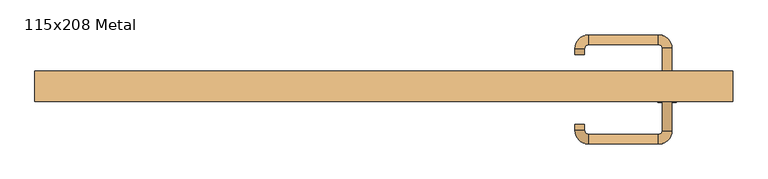
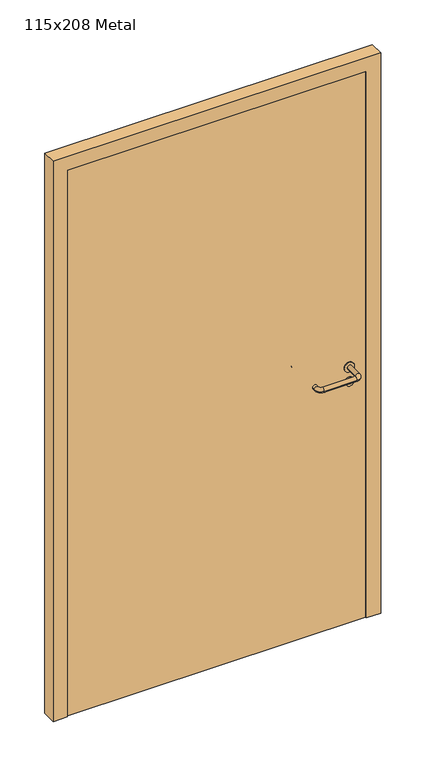
"""IFC4 building model written with IfcOpenShell, lengths in millimetres: door geometry, 115x208 Metal."""

from ifc_helpers import new_model, si_unit, point, frame, frame_2d, origin, origin_with_axes, place, context, project, spatial, polyline, circle_curve, ellipse_curve, trimmed, segment, composite_curve, outline, extrude, source, transform, mapped, element, save
from ifc_brep_helpers import plane_surface, cylinder_surface, revolved_surface, advanced_brep


def door_115x208_metal_eda9dd8c(model_context):
    return source(origin(), model_context, "Body", "SolidModel", [
        extrude(outline(composite_curve([segment(trimmed(circle_curve(frame_2d((897.3605726, 467.0)), 15.0), [point((897.3605726, 482.0))], [point((897.3605726, 452.0))], False, "CARTESIAN"), True, "CONTINUOUS"), segment(trimmed(circle_curve(frame_2d((897.3605726, 467.0)), 15.0), [point((897.3605726, 452.0))], [point((897.3605726, 482.0))], False, "CARTESIAN"), True, "CONTINUOUS")], self_intersect=False), holes=[composite_curve([segment(trimmed(circle_curve(frame_2d((892.5833211, 466.9398032)), 2.0), [point((892.5833211, 468.9398032))], [point((892.5833211, 464.9398032))], True, "CARTESIAN"), True, "CONTINUOUS"), segment(polyline([(892.5833211, 464.9398032), (902.5833211, 464.9398032)]), True, "CONTINUOUS"), segment(trimmed(circle_curve(frame_2d((902.5833211, 466.9398032)), 2.0), [point((902.5833211, 464.9398032))], [point((902.5833211, 468.9398032))], True, "CARTESIAN"), True, "CONTINUOUS"), segment(polyline([(902.5833211, 468.9398032), (892.5833211, 468.9398032)]), True, "CONTINUOUS")], self_intersect=False)]), frame((0.0, -15.0, 0.0), z_axis=(0.0, 1.0, 0.0), x_axis=(0.0, 0.0, 1.0)), (0.0, 0.0, 1.0), 6.35),
        extrude(outline(composite_curve([segment(trimmed(circle_curve(frame_2d((950.0, 467.0)), 17.526), [point((950.0, 484.526))], [point((950.0, 449.474))], False, "CARTESIAN"), True, "CONTINUOUS"), segment(trimmed(circle_curve(frame_2d((950.0, 467.0)), 17.526), [point((950.0, 449.474))], [point((950.0, 484.526))], False, "CARTESIAN"), True, "CONTINUOUS")], self_intersect=False)), frame((0.0, -15.0, 0.0), z_axis=(0.0, 1.0, 0.0), x_axis=(0.0, 0.0, 1.0)), (0.0, 0.0, 1.0), 3.175),
        advanced_brep(
        [(475.0, -15.0, 950.0), (459.0, -15.0, 950.0), (475.0, 38.0, 950.0), (459.0, 38.0, 950.0), (452.8578644, 44.1421356, 950.0), (452.8578644, 60.1421356, 950.0), (337.8578644, 60.1421356, 950.0), (337.8578644, 44.1421356, 950.0), (331.008622, 37.2928932, 950.0), (315.008622, 37.2928932, 950.0), (315.008622, 27.2928932, 950.0), (331.008622, 27.2928932, 950.0)],
        [
            (0, 1, circle_curve(frame((467.0, -15.0, 950.0), z_axis=(0.0, -1.0, 0.0), x_axis=(-1.0, 0.0, 0.0)), 8.0)),
            (1, 0, circle_curve(frame((467.0, -15.0, 950.0), z_axis=(0.0, -1.0, 0.0), x_axis=(-1.0, 0.0, 0.0)), 8.0)),
            (0, 2),
            (2, 3, circle_curve(frame((467.0, 38.0, 950.0), z_axis=(0.0, -1.0, 0.0), x_axis=(-1.0, 0.0, 0.0)), 8.0)),
            (3, 1),
            (3, 2, circle_curve(frame((467.0, 38.0, 950.0), z_axis=(0.0, -1.0, 0.0), x_axis=(-1.0, 0.0, 0.0)), 8.0)),
            (4, 3, circle_curve(frame((452.8578644, 38.0, 950.0), z_axis=(0.0, 0.0, -1.0), x_axis=(1.0, 0.0, 0.0)), 6.1421356)),
            (2, 5, circle_curve(frame((452.8578644, 38.0, 950.0), z_axis=(0.0, 0.0, 1.0), x_axis=(1.0, 0.0, 0.0)), 22.1421356)),
            (5, 4, circle_curve(frame((452.8578644, 52.1421356, 950.0), z_axis=(1.0, 0.0, 0.0), x_axis=(0.0, -1.0, 0.0)), 8.0)),
            (4, 5, circle_curve(frame((452.8578644, 52.1421356, 950.0), z_axis=(1.0, 0.0, 0.0), x_axis=(0.0, -1.0, 0.0)), 8.0)),
            (5, 6),
            (6, 7, circle_curve(frame((337.8578644, 52.1421356, 950.0), z_axis=(1.0, 0.0, 0.0), x_axis=(0.0, -1.0, 0.0)), 8.0)),
            (7, 4),
            (7, 6, circle_curve(frame((337.8578644, 52.1421356, 950.0), z_axis=(1.0, 0.0, 0.0), x_axis=(0.0, -1.0, 0.0)), 8.0)),
            (8, 7, circle_curve(frame((337.8578644, 37.2928932, 950.0), z_axis=(0.0, 0.0, -1.0), x_axis=(0.0, 1.0, 0.0)), 6.8492424)),
            (6, 9, circle_curve(frame((337.8578644, 37.2928932, 950.0), z_axis=(0.0, 0.0, 1.0), x_axis=(0.0, 1.0, 0.0)), 22.8492424)),
            (9, 8, circle_curve(frame((323.008622, 37.2928932, 950.0), z_axis=(0.0, 1.0, 0.0), x_axis=(1.0, 0.0, 0.0)), 8.0)),
            (8, 9, circle_curve(frame((323.008622, 37.2928932, 950.0), z_axis=(0.0, 1.0, 0.0), x_axis=(1.0, 0.0, 0.0)), 8.0)),
            (10, 11, circle_curve(frame((323.008622, 27.2928932, 950.0), z_axis=(0.0, -1.0, 0.0), x_axis=(1.0, 0.0, 0.0)), 8.0)),
            (11, 10, circle_curve(frame((323.008622, 27.2928932, 950.0), z_axis=(0.0, -1.0, 0.0), x_axis=(1.0, 0.0, 0.0)), 8.0)),
            (9, 10),
            (11, 8),
        ],
        [
            plane_surface(frame((467.0, -15.0, 170.0), z_axis=(0.0, -1.0, 0.0), x_axis=(0.0, 0.0, 1.0))),
            cylinder_surface(frame((467.0, -15.0, 950.0), z_axis=(0.0, -1.0, 0.0), x_axis=(-1.0, 0.0, 0.0)), 8.0),
            revolved_surface(trimmed(ellipse_curve(frame((467.0, 38.0, 950.0), z_axis=(0.0, -1.0, 0.0), x_axis=(-1.0, 0.0, 0.0)), 8.0, 8.0), [point((475.0, 38.0, 950.0))], [point((459.0, 38.0, 950.0))], True, "CARTESIAN"), (452.8578644, 38.0, 170.0), (0.0, 0.0, 1.0)),
            revolved_surface(trimmed(ellipse_curve(frame((467.0, 38.0, 950.0), z_axis=(0.0, -1.0, 0.0), x_axis=(-1.0, 0.0, 0.0)), 8.0, 8.0), [point((459.0, 38.0, 950.0))], [point((475.0, 38.0, 950.0))], True, "CARTESIAN"), (452.8578644, 38.0, 170.0), (0.0, 0.0, 1.0)),
            cylinder_surface(frame((452.8578644, 52.1421356, 950.0), z_axis=(1.0, 0.0, 0.0), x_axis=(0.0, -1.0, 0.0)), 8.0),
            revolved_surface(trimmed(ellipse_curve(frame((337.8578644, 52.1421356, 950.0), z_axis=(1.0, 0.0, 0.0), x_axis=(0.0, -1.0, 0.0)), 8.0, 8.0), [point((337.8578644, 60.1421356, 950.0))], [point((337.8578644, 44.1421356, 950.0))], True, "CARTESIAN"), (337.8578644, 37.2928932, 170.0), (0.0, 0.0, 1.0)),
            revolved_surface(trimmed(ellipse_curve(frame((337.8578644, 52.1421356, 950.0), z_axis=(1.0, 0.0, 0.0), x_axis=(0.0, -1.0, 0.0)), 8.0, 8.0), [point((337.8578644, 44.1421356, 950.0))], [point((337.8578644, 60.1421356, 950.0))], True, "CARTESIAN"), (337.8578644, 37.2928932, 170.0), (0.0, 0.0, 1.0)),
            plane_surface(frame((323.008622, 27.2928932, 170.0), z_axis=(0.0, -1.0, 0.0), x_axis=(0.0, 0.0, 1.0))),
            cylinder_surface(frame((323.008622, 37.2928932, 950.0), z_axis=(0.0, 1.0, 0.0), x_axis=(1.0, 0.0, 0.0)), 8.0),
        ],
        [
            (0, [[1, 2]]),
            (1, [[-1, 3, 4, 5]]),
            (1, [[-2, -5, 6, -3]]),
            (2, [[7, -4, 8, 9]]),
            (3, [[-8, -6, -7, 10]]),
            (4, [[-9, 11, 12, 13]]),
            (4, [[-10, -13, 14, -11]]),
            (5, [[15, -12, 16, 17]]),
            (6, [[-16, -14, -15, 18]]),
            (7, [[19, 20]]),
            (8, [[-17, 21, -20, 22]]),
            (8, [[-18, -22, -19, -21]]),
        ],
    ),
        extrude(outline(composite_curve([segment(trimmed(circle_curve(frame_2d((0.0, 15.0)), 15.0), [point((0.0, 30.0))], [point((0.0, 0.0))], False, "CARTESIAN"), True, "CONTINUOUS"), segment(trimmed(circle_curve(frame_2d((0.0, 15.0)), 15.0), [point((0.0, 0.0))], [point((0.0, 30.0))], False, "CARTESIAN"), True, "CONTINUOUS")], self_intersect=False), holes=[composite_curve([segment(trimmed(circle_curve(frame_2d((-4.7772515, 14.9398032)), 2.0), [point((-4.7772515, 16.9398032))], [point((-4.7772515, 12.9398032))], True, "CARTESIAN"), True, "CONTINUOUS"), segment(polyline([(-4.7772515, 12.9398032), (5.2227485, 12.9398032)]), True, "CONTINUOUS"), segment(trimmed(circle_curve(frame_2d((5.2227485, 14.9398032)), 2.0), [point((5.2227485, 12.9398032))], [point((5.2227485, 16.9398032))], True, "CARTESIAN"), True, "CONTINUOUS"), segment(polyline([(5.2227485, 16.9398032), (-4.7772515, 16.9398032)]), True, "CONTINUOUS")], self_intersect=False)]), frame((452.0, -51.35, 897.3605726), z_axis=(-1.8870575173328306e-12, 1.0, 0.0), x_axis=(0.0, 0.0, 1.0)), (0.0, 0.0, 1.0), 6.35),
        extrude(outline(composite_curve([segment(trimmed(circle_curve(frame_2d((0.0, 17.526)), 17.526), [point((0.0, 35.052))], [point((0.0, 0.0))], False, "CARTESIAN"), True, "CONTINUOUS"), segment(trimmed(circle_curve(frame_2d((0.0, 17.526)), 17.526), [point((0.0, 0.0))], [point((0.0, 35.052))], False, "CARTESIAN"), True, "CONTINUOUS")], self_intersect=False)), frame((449.474, -48.175, 950.0), z_axis=(-1.8870575173328306e-12, 1.0, 0.0), x_axis=(0.0, 0.0, 1.0)), (0.0, 0.0, 1.0), 3.175),
        advanced_brep(
        [(475.0, -45.0, 950.0), (459.0, -45.0, 950.0), (459.0, -98.0, 950.0), (475.0, -98.0, 950.0), (452.8578644, -104.1421356, 950.0), (452.8578644, -120.1421356, 950.0), (337.8578644, -104.1421356, 950.0), (337.8578644, -120.1421356, 950.0), (331.008622, -97.2928932, 950.0), (315.008622, -97.2928932, 950.0), (315.008622, -87.2928932, 950.0), (331.008622, -87.2928932, 950.0)],
        [
            (0, 1, circle_curve(frame((467.0, -45.0, 950.0), z_axis=(-1.888672253512351e-12, 1.0, 0.0), x_axis=(-1.0, -1.888672253512351e-12, 0.0)), 8.0)),
            (1, 0, circle_curve(frame((467.0, -45.0, 950.0), z_axis=(-1.888672253512351e-12, 1.0, 0.0), x_axis=(-1.0, -1.888672253512351e-12, 0.0)), 8.0)),
            (1, 2),
            (2, 3, circle_curve(frame((467.0, -98.0, 950.0), z_axis=(-1.888672253512351e-12, 1.0, 0.0), x_axis=(-1.0, -1.888672253512351e-12, 0.0)), 8.0)),
            (3, 0),
            (3, 2, circle_curve(frame((467.0, -98.0, 950.0), z_axis=(-1.888672253512351e-12, 1.0, 0.0), x_axis=(-1.0, -1.888672253512351e-12, 0.0)), 8.0)),
            (4, 5, circle_curve(frame((452.8578644, -112.1421356, 950.0), z_axis=(1.0, 1.913702061528922e-12, 0.0), x_axis=(-1.913702061528922e-12, 1.0, 0.0)), 8.0)),
            (5, 3, circle_curve(frame((452.8578644, -98.0, 950.0), z_axis=(0.0, 0.0, 1.0), x_axis=(1.0, 1.880717803715015e-12, 0.0)), 22.1421356)),
            (2, 4, circle_curve(frame((452.8578644, -98.0, 950.0), z_axis=(0.0, 0.0, -1.0), x_axis=(1.0, 1.880717803715015e-12, 0.0)), 6.1421356)),
            (5, 4, circle_curve(frame((452.8578644, -112.1421356, 950.0), z_axis=(1.0, 1.913702061528922e-12, 0.0), x_axis=(-1.913702061528922e-12, 1.0, 0.0)), 8.0)),
            (4, 6),
            (6, 7, circle_curve(frame((337.8578644, -112.1421356, 950.0), z_axis=(1.0, 1.913719828541269e-12, 0.0), x_axis=(-1.913719828541269e-12, 1.0, 0.0)), 8.0)),
            (7, 5),
            (7, 6, circle_curve(frame((337.8578644, -112.1421356, 950.0), z_axis=(1.0, 1.913719828541269e-12, 0.0), x_axis=(-1.913719828541269e-12, 1.0, 0.0)), 8.0)),
            (8, 9, circle_curve(frame((323.008622, -97.2928932, 950.0), z_axis=(1.890226565746826e-12, -1.0, 0.0), x_axis=(1.0, 1.890226565746826e-12, 0.0)), 8.0)),
            (9, 7, circle_curve(frame((337.8578644, -97.2928932, 950.0), z_axis=(0.0, 0.0, 1.0), x_axis=(1.9120873253494017e-12, -1.0, 0.0)), 22.8492424)),
            (6, 8, circle_curve(frame((337.8578644, -97.2928932, 950.0), z_axis=(0.0, 0.0, -1.0), x_axis=(1.9120873253494017e-12, -1.0, 0.0)), 6.8492424)),
            (9, 8, circle_curve(frame((323.008622, -97.2928932, 950.0), z_axis=(1.890670654956676e-12, -1.0, 0.0), x_axis=(1.0, 1.890670654956676e-12, 0.0)), 8.0)),
            (10, 11, circle_curve(frame((323.008622, -87.2928932, 950.0), z_axis=(-1.8903642334018795e-12, 1.0, 0.0), x_axis=(1.0, 1.8903642334018795e-12, 0.0)), 8.0)),
            (11, 10, circle_curve(frame((323.008622, -87.2928932, 950.0), z_axis=(-1.8903642334018795e-12, 1.0, 0.0), x_axis=(1.0, 1.8903642334018795e-12, 0.0)), 8.0)),
            (8, 11),
            (10, 9),
        ],
        [
            plane_surface(frame((467.0, -45.0, 170.0), z_axis=(-1.8870575173328306e-12, 1.0, 0.0), x_axis=(0.0, 0.0, 1.0))),
            cylinder_surface(frame((467.0, -45.0, 950.0), z_axis=(-1.888672253512351e-12, 1.0, 0.0), x_axis=(-1.0, -1.888672253512351e-12, 0.0)), 8.0),
            revolved_surface(trimmed(ellipse_curve(frame((467.0, -98.0, 950.0), z_axis=(1.8823325398945356e-12, -1.0, 0.0), x_axis=(-1.0, -1.8823325398945356e-12, 0.0)), 8.0, 8.0), [point((475.0, -98.0, 950.0))], [point((459.0, -98.0, 950.0))], True, "CARTESIAN"), (452.8578644, -98.0, 170.0), (0.0, 0.0, 1.0)),
            revolved_surface(trimmed(ellipse_curve(frame((467.0, -98.0, 950.0), z_axis=(1.8823325398945356e-12, -1.0, 0.0), x_axis=(-1.0, -1.8823325398945356e-12, 0.0)), 8.0, 8.0), [point((459.0, -98.0, 950.0))], [point((475.0, -98.0, 950.0))], True, "CARTESIAN"), (452.8578644, -98.0, 170.0), (0.0, 0.0, 1.0)),
            cylinder_surface(frame((452.8578644, -112.1421356, 950.0), z_axis=(1.0, 1.913719828541269e-12, 0.0), x_axis=(-1.913719828541269e-12, 1.0, 0.0)), 8.0),
            revolved_surface(trimmed(ellipse_curve(frame((337.8578644, -112.1421356, 950.0), z_axis=(-1.0, -1.913702061528922e-12, 0.0), x_axis=(-1.913702061528922e-12, 1.0, 0.0)), 8.0, 8.0), [point((337.8578644, -120.1421356, 950.0))], [point((337.8578644, -104.1421356, 950.0))], True, "CARTESIAN"), (337.8578644, -97.2928932, 170.0), (0.0, 0.0, 1.0)),
            revolved_surface(trimmed(ellipse_curve(frame((337.8578644, -112.1421356, 950.0), z_axis=(-1.0, -1.913702061528922e-12, 0.0), x_axis=(-1.913702061528922e-12, 1.0, 0.0)), 8.0, 8.0), [point((337.8578644, -104.1421356, 950.0))], [point((337.8578644, -120.1421356, 950.0))], True, "CARTESIAN"), (337.8578644, -97.2928932, 170.0), (0.0, 0.0, 1.0)),
            plane_surface(frame((323.008622, -87.2928932, 170.0), z_axis=(-1.8887494972223595e-12, 1.0, 0.0), x_axis=(0.0, 0.0, 1.0))),
            cylinder_surface(frame((323.008622, -97.2928932, 950.0), z_axis=(1.8903642334018795e-12, -1.0, 0.0), x_axis=(1.0, 1.8903642334018795e-12, 0.0)), 8.0),
        ],
        [
            (0, [[1, 2]]),
            (1, [[3, 4, 5, -2]]),
            (1, [[-5, 6, -3, -1]]),
            (2, [[7, 8, -4, 9]]),
            (3, [[10, -9, -6, -8]]),
            (4, [[11, 12, 13, -7]]),
            (4, [[-13, 14, -11, -10]]),
            (5, [[15, 16, -12, 17]]),
            (6, [[18, -17, -14, -16]]),
            (7, [[19, 20]]),
            (8, [[21, -19, 22, -15]]),
            (8, [[-22, -20, -21, -18]]),
        ],
    ),
        extrude(outline(polyline([(2030.0, 525.0), (0.0, 525.0), (0.0, 575.0), (2080.0, 575.0), (2080.0, -575.0), (0.0, -575.0), (0.0, -525.0), (2030.0, -525.0), (2030.0, 525.0)])), frame((0.0, -50.0, 0.0), z_axis=(0.0, 1.0, 0.0), x_axis=(0.0, 0.0, 1.0)), (0.0, 0.0, 1.0), 50.0),
        extrude(outline(polyline([(-525.0, -45.0), (-525.0, -15.0), (525.0, -15.0), (525.0, -45.0), (-525.0, -45.0)])), origin_with_axes(), (0.0, 0.0, 1.0), 2030.0),
    ])


if __name__ == "__main__":
    model = new_model("IFC4")
    model_context = context("Model", 3, world=origin())
    ifc_project = project(units=[si_unit("LENGTHUNIT", "METRE", prefix="MILLI")], contexts=[model_context])
    site = spatial("IfcSite", under=ifc_project)
    building = spatial("IfcBuilding", under=site)
    placement = place(None, origin())
    door_115x208_metal_shape = door_115x208_metal_eda9dd8c(model_context)
    element("IfcDoor", 1, ObjectType="115x208 Metal", at=placement, inside=building, context=model_context, shape_type="MappedRepresentation", body=[
        mapped(door_115x208_metal_shape, transform((0.0, 0.0, 0.0), x_axis=(1.0, 0.0, 0.0), y_axis=(0.0, 1.0, 0.0), z_axis=(0.0, 0.0, 1.0))),
    ])
    save(model, "model.ifc")
